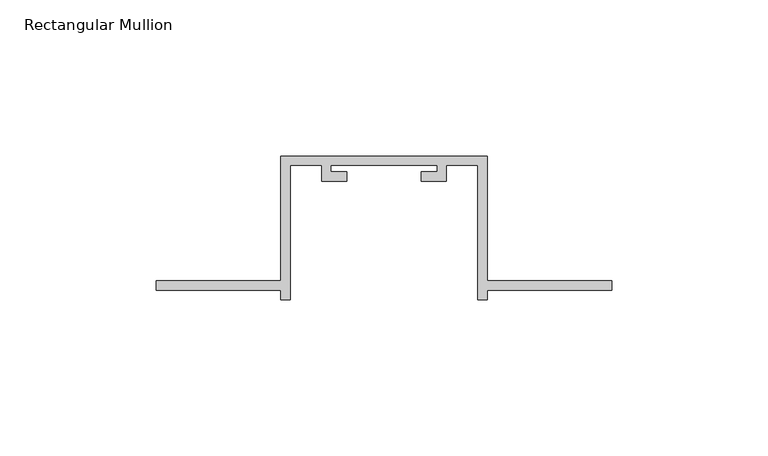
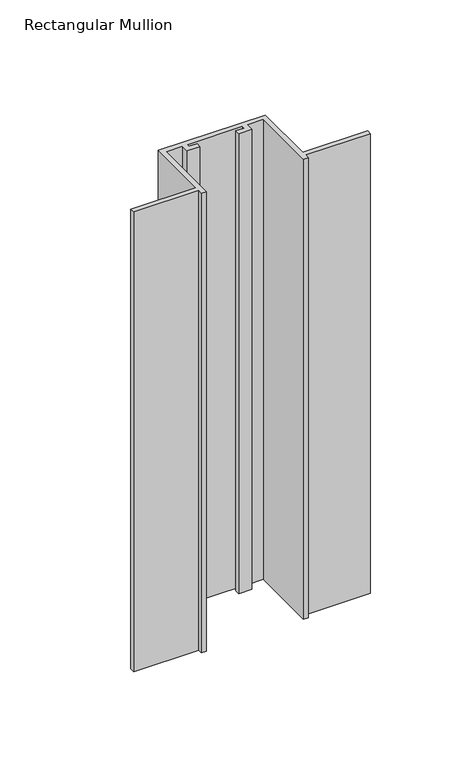
"""IFC4 building model written with IfcOpenShell, lengths in millimetres: member geometry, Rectangular Mullion."""

from ifc_helpers import new_model, si_unit, frame, origin, place, context, project, spatial, polyline, outline, extrude, source, transform, mapped, element, save


def rectangular_mullion_5a1d4e14(model_context):
    return source(origin(), model_context, "Body", "SweptSolid", [
        extrude(outline(polyline([(-106.0, -132.0), (-146.0, -132.0), (-146.0, -129.0), (-106.0, -129.0), (-106.0, -89.0), (-40.0, -89.0), (-40.0, -129.0), (0.0, -129.0), (0.0, -132.0), (-40.0, -132.0), (-40.0, -135.0), (-43.0, -135.0), (-43.0, -92.0), (-53.0, -92.0), (-53.0, -97.0), (-61.0, -97.0), (-61.0, -94.0), (-56.0, -94.0), (-56.0, -92.0), (-90.0, -92.0), (-90.0, -94.0), (-85.0, -94.0), (-85.0, -97.0), (-93.0, -97.0), (-93.0, -92.0), (-103.0, -92.0), (-103.0, -135.0), (-106.0, -135.0), (-106.0, -132.0)])), frame((0.0, 0.0, -300.0), z_axis=(0.0, 0.0, 1.0), x_axis=(1.0, 0.0, 0.0)), (0.0, 0.0, 1.0), 300.0),
    ])


if __name__ == "__main__":
    model = new_model("IFC4")
    model_context = context("Model", 3, world=origin())
    ifc_project = project(units=[si_unit("LENGTHUNIT", "METRE", prefix="MILLI")], contexts=[model_context])
    site = spatial("IfcSite", under=ifc_project)
    building = spatial("IfcBuilding", under=site)
    placement = place(None, origin())
    rectangular_mullion_shape = rectangular_mullion_5a1d4e14(model_context)
    element("IfcMember", 1, ObjectType="Rectangular Mullion", at=placement, inside=building, context=model_context, shape_type="MappedRepresentation", body=[
        mapped(rectangular_mullion_shape, transform((0.0, 0.0, 0.0), x_axis=(1.0, 0.0, 0.0), y_axis=(0.0, 1.0, 0.0), z_axis=(0.0, 0.0, 1.0))),
    ])
    save(model, "model.ifc")
